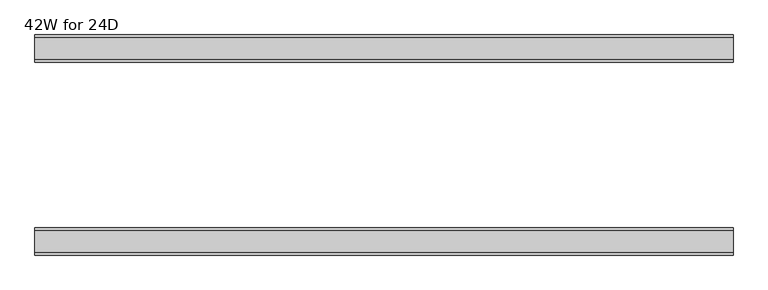
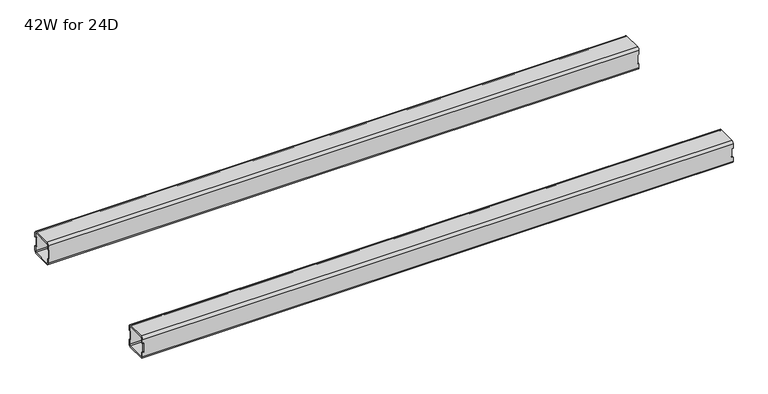
"""IFC4 building model written with IfcOpenShell, lengths in millimetres: furniture geometry, 42W for 24D."""

from ifc_helpers import new_model, si_unit, frame, origin, place, context, project, spatial, polyline, circle_curve, source, transform, mapped, element, save
from ifc_brep_helpers import plane_surface, cylinder_surface, revolved_surface, advanced_brep


def furniture_42w_for_24d_c7950c9a(model_context):
    return source(origin(), model_context, "Body", "AdvancedBrep", [
        advanced_brep(
        [(1041.8028, -438.5082, 653.351), (1041.8028, -440.5082, 651.351), (1041.8028, -472.5082, 651.351), (1041.8028, -474.5082, 653.351), (1041.8028, -474.5082, 660.851), (1041.8028, -476.5082, 660.851), (1041.8028, -476.5082, 653.351), (1041.8028, -472.5082, 649.351), (1041.8028, -440.5082, 649.351), (1041.8028, -436.5082, 653.351), (1041.8028, -436.5082, 660.851), (1041.8028, -438.5082, 660.851), (1041.8028, -474.5082, 684.975), (1041.8028, -472.5082, 686.975), (1041.8028, -440.5082, 686.975), (1041.8028, -438.5082, 684.975), (1041.8028, -438.5082, 677.475), (1041.8028, -436.5082, 677.475), (1041.8028, -436.5082, 684.975), (1041.8028, -440.5082, 688.975), (1041.8028, -472.5082, 688.975), (1041.8028, -476.5082, 684.975), (1041.8028, -476.5082, 677.475), (1041.8028, -474.5082, 677.475), (22.0, -438.5082, 684.975), (22.0, -440.5082, 686.975), (22.0, -472.5082, 686.975), (22.0, -474.5082, 684.975), (22.0, -474.5082, 677.475), (22.0, -476.5082, 677.475), (22.0, -476.5082, 684.975), (22.0, -472.5082, 688.975), (22.0, -440.5082, 688.975), (22.0, -436.5082, 684.975), (22.0, -436.5082, 677.475), (22.0, -438.5082, 677.475), (22.0, -474.5082, 653.351), (22.0, -472.5082, 651.351), (22.0, -440.5082, 651.351), (22.0, -438.5082, 653.351), (22.0, -438.5082, 660.851), (22.0, -436.5082, 660.851), (22.0, -436.5082, 653.351), (22.0, -440.5082, 649.351), (22.0, -472.5082, 649.351), (22.0, -476.5082, 653.351), (22.0, -476.5082, 660.851), (22.0, -474.5082, 660.851), (23.365, -474.5082, 660.851), (24.0, -474.5082, 661.486), (24.0, -474.5082, 676.84), (23.365, -474.5082, 677.475), (1040.4378, -474.5082, 677.475), (1039.8028, -474.5082, 676.84), (1039.8028, -474.5082, 661.486), (1040.4378, -474.5082, 660.851), (1040.4378, -438.5082, 660.851), (1039.8028, -438.5082, 661.486), (1039.8028, -438.5082, 676.84), (1040.4378, -438.5082, 677.475), (23.365, -438.5082, 677.475), (24.0, -438.5082, 676.84), (24.0, -438.5082, 661.486), (23.365, -438.5082, 660.851), (23.365, -476.5082, 677.475), (24.0, -476.5082, 676.84), (24.0, -476.5082, 661.486), (23.365, -476.5082, 660.851), (1040.4378, -476.5082, 660.851), (1039.8028, -476.5082, 661.486), (1039.8028, -476.5082, 676.84), (1040.4378, -476.5082, 677.475), (1040.4378, -436.5082, 677.475), (1039.8028, -436.5082, 676.84), (1039.8028, -436.5082, 661.486), (1040.4378, -436.5082, 660.851), (23.365, -436.5082, 660.851), (24.0, -436.5082, 661.486), (24.0, -436.5082, 676.84), (23.365, -436.5082, 677.475)],
        [
            (0, 1, circle_curve(frame((1041.8028, -440.5082, 653.351), z_axis=(-1.0, 0.0, 0.0), x_axis=(0.0, 1.0, 0.0)), 2.0)),
            (1, 2),
            (2, 3, circle_curve(frame((1041.8028, -472.5082, 653.351), z_axis=(-1.0, 0.0, 0.0), x_axis=(0.0, 1.0, 0.0)), 2.0)),
            (3, 4),
            (4, 5),
            (5, 6),
            (6, 7, circle_curve(frame((1041.8028, -472.5082, 653.351), z_axis=(1.0, 0.0, 0.0), x_axis=(0.0, 1.0, 0.0)), 4.0)),
            (7, 8),
            (8, 9, circle_curve(frame((1041.8028, -440.5082, 653.351), z_axis=(1.0, 0.0, 0.0), x_axis=(0.0, 1.0, 0.0)), 4.0)),
            (9, 10),
            (10, 11),
            (11, 0),
            (12, 13, circle_curve(frame((1041.8028, -472.5082, 684.975), z_axis=(-1.0, 0.0, 0.0), x_axis=(0.0, 1.0, 0.0)), 2.0)),
            (13, 14),
            (14, 15, circle_curve(frame((1041.8028, -440.5082, 684.975), z_axis=(-1.0, 0.0, 0.0), x_axis=(0.0, 1.0, 0.0)), 2.0)),
            (15, 16),
            (16, 17),
            (17, 18),
            (18, 19, circle_curve(frame((1041.8028, -440.5082, 684.975), z_axis=(1.0, 0.0, 0.0), x_axis=(0.0, 1.0, 0.0)), 4.0)),
            (19, 20),
            (20, 21, circle_curve(frame((1041.8028, -472.5082, 684.975), z_axis=(1.0, 0.0, 0.0), x_axis=(0.0, 1.0, 0.0)), 4.0)),
            (21, 22),
            (22, 23),
            (23, 12),
            (24, 25, circle_curve(frame((22.0, -440.5082, 684.975), z_axis=(1.0, 0.0, 0.0), x_axis=(0.0, 1.0, 0.0)), 2.0)),
            (25, 26),
            (26, 27, circle_curve(frame((22.0, -472.5082, 684.975), z_axis=(1.0, 0.0, 0.0), x_axis=(0.0, 1.0, 0.0)), 2.0)),
            (27, 28),
            (28, 29),
            (29, 30),
            (30, 31, circle_curve(frame((22.0, -472.5082, 684.975), z_axis=(-1.0, 0.0, 0.0), x_axis=(0.0, 1.0, 0.0)), 4.0)),
            (31, 32),
            (32, 33, circle_curve(frame((22.0, -440.5082, 684.975), z_axis=(-1.0, 0.0, 0.0), x_axis=(0.0, 1.0, 0.0)), 4.0)),
            (33, 34),
            (34, 35),
            (35, 24),
            (36, 37, circle_curve(frame((22.0, -472.5082, 653.351), z_axis=(1.0, 0.0, 0.0), x_axis=(0.0, 1.0, 0.0)), 2.0)),
            (37, 38),
            (38, 39, circle_curve(frame((22.0, -440.5082, 653.351), z_axis=(1.0, 0.0, 0.0), x_axis=(0.0, 1.0, 0.0)), 2.0)),
            (39, 40),
            (40, 41),
            (41, 42),
            (42, 43, circle_curve(frame((22.0, -440.5082, 653.351), z_axis=(-1.0, 0.0, 0.0), x_axis=(0.0, 1.0, 0.0)), 4.0)),
            (43, 44),
            (44, 45, circle_curve(frame((22.0, -472.5082, 653.351), z_axis=(-1.0, 0.0, 0.0), x_axis=(0.0, 1.0, 0.0)), 4.0)),
            (45, 46),
            (46, 47),
            (47, 36),
            (0, 39),
            (38, 1),
            (37, 2),
            (36, 3),
            (47, 48),
            (48, 49, circle_curve(frame((23.365, -474.5082, 661.486), z_axis=(0.0, -1.0, 0.0), x_axis=(1.0, 0.0, 0.0)), 0.635)),
            (49, 50),
            (50, 51, circle_curve(frame((23.365, -474.5082, 676.84), z_axis=(0.0, -1.0, 0.0), x_axis=(1.0, 0.0, 0.0)), 0.635)),
            (51, 28),
            (27, 12),
            (23, 52),
            (52, 53, circle_curve(frame((1040.4378, -474.5082, 676.84), z_axis=(0.0, -1.0, 0.0), x_axis=(1.0, 0.0, 0.0)), 0.635)),
            (53, 54),
            (54, 55, circle_curve(frame((1040.4378, -474.5082, 661.486), z_axis=(0.0, -1.0, 0.0), x_axis=(1.0, 0.0, 0.0)), 0.635)),
            (55, 4),
            (26, 13),
            (25, 14),
            (24, 15),
            (11, 56),
            (56, 57, circle_curve(frame((1040.4378, -438.5082, 661.486), z_axis=(0.0, 1.0, 0.0), x_axis=(1.0, 0.0, 0.0)), 0.635)),
            (57, 58),
            (58, 59, circle_curve(frame((1040.4378, -438.5082, 676.84), z_axis=(0.0, 1.0, 0.0), x_axis=(1.0, 0.0, 0.0)), 0.635)),
            (59, 16),
            (35, 60),
            (60, 61, circle_curve(frame((23.365, -438.5082, 676.84), z_axis=(0.0, 1.0, 0.0), x_axis=(1.0, 0.0, 0.0)), 0.635)),
            (61, 62),
            (62, 63, circle_curve(frame((23.365, -438.5082, 661.486), z_axis=(0.0, 1.0, 0.0), x_axis=(1.0, 0.0, 0.0)), 0.635)),
            (63, 40),
            (18, 33),
            (32, 19),
            (31, 20),
            (30, 21),
            (29, 64),
            (64, 65, circle_curve(frame((23.365, -476.5082, 676.84), z_axis=(0.0, 1.0, 0.0), x_axis=(1.0, 0.0, 0.0)), 0.635)),
            (65, 66),
            (66, 67, circle_curve(frame((23.365, -476.5082, 661.486), z_axis=(0.0, 1.0, 0.0), x_axis=(1.0, 0.0, 0.0)), 0.635)),
            (67, 46),
            (45, 6),
            (5, 68),
            (68, 69, circle_curve(frame((1040.4378, -476.5082, 661.486), z_axis=(0.0, 1.0, 0.0), x_axis=(1.0, 0.0, 0.0)), 0.635)),
            (69, 70),
            (70, 71, circle_curve(frame((1040.4378, -476.5082, 676.84), z_axis=(0.0, 1.0, 0.0), x_axis=(1.0, 0.0, 0.0)), 0.635)),
            (71, 22),
            (44, 7),
            (43, 8),
            (42, 9),
            (17, 72),
            (72, 73, circle_curve(frame((1040.4378, -436.5082, 676.84), z_axis=(0.0, -1.0, 0.0), x_axis=(1.0, 0.0, 0.0)), 0.635)),
            (73, 74),
            (74, 75, circle_curve(frame((1040.4378, -436.5082, 661.486), z_axis=(0.0, -1.0, 0.0), x_axis=(1.0, 0.0, 0.0)), 0.635)),
            (75, 10),
            (41, 76),
            (76, 77, circle_curve(frame((23.365, -436.5082, 661.486), z_axis=(0.0, -1.0, 0.0), x_axis=(1.0, 0.0, 0.0)), 0.635)),
            (77, 78),
            (78, 79, circle_curve(frame((23.365, -436.5082, 676.84), z_axis=(0.0, -1.0, 0.0), x_axis=(1.0, 0.0, 0.0)), 0.635)),
            (79, 34),
            (71, 52),
            (59, 72),
            (70, 53),
            (58, 73),
            (69, 54),
            (57, 74),
            (68, 55),
            (56, 75),
            (51, 64),
            (79, 60),
            (67, 48),
            (63, 76),
            (66, 49),
            (62, 77),
            (65, 50),
            (61, 78),
        ],
        [
            plane_surface(frame((1041.8028, -438.5082, 653.351), z_axis=(1.0, 0.0, 0.0), x_axis=(0.0, 0.0, -1.0))),
            plane_surface(frame((22.0, -438.5082, 653.351), z_axis=(-1.0, 0.0, 0.0), x_axis=(0.0, 0.0, 1.0))),
            revolved_surface(polyline([(22.0, -438.5082, 653.351), (1041.8028, -438.5082, 653.351)]), (22.0, -440.5082, 653.351), (-1.0, 0.0, 0.0)),
            plane_surface(frame((1041.8028, -440.5082, 651.351), z_axis=(0.0, -4.868672132139401e-12, 1.0), x_axis=(-1.0, 0.0, 0.0))),
            revolved_surface(polyline([(22.0, -470.5082, 653.351), (1041.8028, -470.5082, 653.351)]), (22.0, -472.5082, 653.351), (-1.0, 0.0, 0.0)),
            plane_surface(frame((1041.8028, -474.5082, 653.351), z_axis=(0.0, 1.0, 0.0), x_axis=(-1.0, 0.0, 0.0))),
            revolved_surface(polyline([(22.0, -470.5082, 684.975), (1041.8028, -470.5082, 684.975)]), (22.0, -472.5082, 684.975), (-1.0, 0.0, 0.0)),
            plane_surface(frame((1041.8028, -472.5082, 686.975), z_axis=(0.0, 0.0, -1.0), x_axis=(-1.0, 0.0, 0.0))),
            revolved_surface(polyline([(22.0, -438.5082, 684.975), (1041.8028, -438.5082, 684.975)]), (22.0, -440.5082, 684.975), (-1.0, 0.0, 0.0)),
            plane_surface(frame((1041.8028, -438.5082, 684.975), z_axis=(0.0, -1.0, 0.0), x_axis=(-1.0, 0.0, 0.0))),
            cylinder_surface(frame((0.0, -440.5082, 684.975), z_axis=(1.0, 0.0, 0.0), x_axis=(0.0, 1.0, 0.0)), 4.0),
            plane_surface(frame((1041.8028, -440.5082, 688.975), z_axis=(0.0, 0.0, 1.0), x_axis=(-1.0, 0.0, 0.0))),
            cylinder_surface(frame((0.0, -472.5082, 684.975), z_axis=(1.0, 0.0, 0.0), x_axis=(0.0, 1.0, 0.0)), 4.0),
            plane_surface(frame((1041.8028, -476.5082, 684.975), z_axis=(0.0, -1.0, 0.0), x_axis=(-1.0, 0.0, 0.0))),
            cylinder_surface(frame((0.0, -472.5082, 653.351), z_axis=(1.0, 0.0, 0.0), x_axis=(0.0, 1.0, 0.0)), 4.0),
            plane_surface(frame((1041.8028, -472.5082, 649.351), z_axis=(0.0, 0.0, -1.0), x_axis=(-1.0, 0.0, 0.0))),
            cylinder_surface(frame((0.0, -440.5082, 653.351), z_axis=(1.0, 0.0, 0.0), x_axis=(0.0, 1.0, 0.0)), 4.0),
            plane_surface(frame((1041.8028, -436.5082, 653.351), z_axis=(0.0, 1.0, -4.917998717621574e-12), x_axis=(-1.0, 0.0, 0.0))),
            plane_surface(frame((1041.8028, -476.5082, 677.475), z_axis=(1.130465684452016e-11, 0.0, -1.0), x_axis=(0.0, 1.0, 0.0))),
            revolved_surface(polyline([(1041.0728, -476.5082, 676.84), (1041.0728, -474.5082, 676.84)]), (1040.4378, -436.5082, 676.84), (0.0, -1.0, 0.0)),
            revolved_surface(polyline([(1041.0728, -438.5082, 676.84), (1041.0728, -436.5082, 676.84)]), (1040.4378, -436.5082, 676.84), (0.0, -1.0, 0.0)),
            plane_surface(frame((1039.8028, -476.5082, 676.84), z_axis=(1.0, 0.0, 0.0), x_axis=(0.0, 1.0, 0.0))),
            revolved_surface(polyline([(1041.0728, -476.5082, 661.486), (1041.0728, -474.5082, 661.486)]), (1040.4378, -436.5082, 661.486), (0.0, -1.0, 0.0)),
            revolved_surface(polyline([(1041.0728, -438.5082, 661.486), (1041.0728, -436.5082, 661.486)]), (1040.4378, -436.5082, 661.486), (0.0, -1.0, 0.0)),
            plane_surface(frame((1040.4378, -476.5082, 660.851), z_axis=(0.0, 0.0, 1.0), x_axis=(0.0, 1.0, 0.0))),
            plane_surface(frame((23.365, -476.5082, 677.475), z_axis=(0.0, 0.0, -1.0), x_axis=(0.0, 1.0, 0.0))),
            plane_surface(frame((22.0, -476.5082, 660.851), z_axis=(-1.1502984157403295e-11, 0.0, 1.0), x_axis=(0.0, 1.0, 0.0))),
            revolved_surface(polyline([(24.0, -476.5082, 661.486), (24.0, -474.5082, 661.486)]), (23.365, -436.5082, 661.486), (0.0, -1.0, 0.0)),
            revolved_surface(polyline([(24.0, -438.5082, 661.486), (24.0, -436.5082, 661.486)]), (23.365, -436.5082, 661.486), (0.0, -1.0, 0.0)),
            plane_surface(frame((24.0, -476.5082, 661.486), z_axis=(-1.0, 0.0, 0.0), x_axis=(0.0, 1.0, 0.0))),
            revolved_surface(polyline([(24.0, -476.5082, 676.84), (24.0, -474.5082, 676.84)]), (23.365, -436.5082, 676.84), (0.0, -1.0, 0.0)),
            revolved_surface(polyline([(24.0, -438.5082, 676.84), (24.0, -436.5082, 676.84)]), (23.365, -436.5082, 676.84), (0.0, -1.0, 0.0)),
        ],
        [
            (0, [[1, 2, 3, 4, 5, 6, 7, 8, 9, 10, 11, 12]]),
            (0, [[13, 14, 15, 16, 17, 18, 19, 20, 21, 22, 23, 24]]),
            (1, [[25, 26, 27, 28, 29, 30, 31, 32, 33, 34, 35, 36]]),
            (1, [[37, 38, 39, 40, 41, 42, 43, 44, 45, 46, 47, 48]]),
            (2, [[-1, 49, -39, 50]]),
            (3, [[-2, -50, -38, 51]]),
            (4, [[-3, -51, -37, 52]]),
            (5, [[-52, -48, 53, 54, 55, 56, 57, -28, 58, -24, 59, 60, 61, 62, 63, -4]]),
            (6, [[-13, -58, -27, 64]]),
            (7, [[-14, -64, -26, 65]]),
            (8, [[-15, -65, -25, 66]]),
            (9, [[-49, -12, 67, 68, 69, 70, 71, -16, -66, -36, 72, 73, 74, 75, 76, -40]]),
            (10, [[-19, 77, -33, 78]]),
            (11, [[-20, -78, -32, 79]]),
            (12, [[-21, -79, -31, 80]]),
            (13, [[-80, -30, 81, 82, 83, 84, 85, -46, 86, -6, 87, 88, 89, 90, 91, -22]]),
            (14, [[-7, -86, -45, 92]]),
            (15, [[-8, -92, -44, 93]]),
            (16, [[-9, -93, -43, 94]]),
            (17, [[-77, -18, 95, 96, 97, 98, 99, -10, -94, -42, 100, 101, 102, 103, 104, -34]]),
            (18, [[105, -59, -23, -91]]),
            (18, [[106, -95, -17, -71]]),
            (19, [[-105, -90, 107, -60]]),
            (20, [[-106, -70, 108, -96]]),
            (21, [[-107, -89, 109, -61]]),
            (21, [[-108, -69, 110, -97]]),
            (22, [[-109, -88, 111, -62]]),
            (23, [[-110, -68, 112, -98]]),
            (24, [[-111, -87, -5, -63]]),
            (24, [[-112, -67, -11, -99]]),
            (25, [[113, -81, -29, -57]]),
            (25, [[114, -72, -35, -104]]),
            (26, [[115, -53, -47, -85]]),
            (26, [[116, -100, -41, -76]]),
            (27, [[-115, -84, 117, -54]]),
            (28, [[-116, -75, 118, -101]]),
            (29, [[-117, -83, 119, -55]]),
            (29, [[-118, -74, 120, -102]]),
            (30, [[-113, -56, -119, -82]]),
            (31, [[-114, -103, -120, -73]]),
        ],
    ),
        advanced_brep(
        [(1041.8028, -192.9996202, 684.975), (1041.8028, -190.9996202, 686.975), (1041.8028, -159.0003798, 686.975), (1041.8028, -157.0003798, 684.975), (1041.8028, -157.0003798, 677.475), (1041.8028, -155.0003798, 677.475), (1041.8028, -155.0003798, 684.975), (1041.8028, -159.0003798, 688.975), (1041.8028, -190.9996202, 688.975), (1041.8028, -194.9996202, 684.975), (1041.8028, -194.9996202, 677.475), (1041.8028, -192.9996202, 677.475), (1041.8028, -157.0003798, 653.351), (1041.8028, -159.0003798, 651.351), (1041.8028, -190.9996202, 651.351), (1041.8028, -192.9996202, 653.351), (1041.8028, -192.9996202, 660.851), (1041.8028, -194.9996202, 660.851), (1041.8028, -194.9996202, 653.351), (1041.8028, -190.9996202, 649.351), (1041.8028, -159.0003798, 649.351), (1041.8028, -155.0003798, 653.351), (1041.8028, -155.0003798, 660.851), (1041.8028, -157.0003798, 660.851), (22.0, -192.9996202, 653.351), (22.0, -190.9996202, 651.351), (22.0, -159.0003798, 651.351), (22.0, -157.0003798, 653.351), (22.0, -157.0003798, 660.851), (22.0, -155.0003798, 660.851), (22.0, -155.0003798, 653.351), (22.0, -159.0003798, 649.351), (22.0, -190.9996202, 649.351), (22.0, -194.9996202, 653.351), (22.0, -194.9996202, 660.851), (22.0, -192.9996202, 660.851), (22.0, -157.0003798, 684.975), (22.0, -159.0003798, 686.975), (22.0, -190.9996202, 686.975), (22.0, -192.9996202, 684.975), (22.0, -192.9996202, 677.475), (22.0, -194.9996202, 677.475), (22.0, -194.9996202, 684.975), (22.0, -190.9996202, 688.975), (22.0, -159.0003798, 688.975), (22.0, -155.0003798, 684.975), (22.0, -155.0003798, 677.475), (22.0, -157.0003798, 677.475), (1040.4378, -157.0003798, 660.851), (1039.8028, -157.0003798, 661.486), (1039.8028, -157.0003798, 676.84), (1040.4378, -157.0003798, 677.475), (23.365, -157.0003798, 677.475), (24.0, -157.0003798, 676.84), (24.0, -157.0003798, 661.486), (23.365, -157.0003798, 660.851), (23.365, -192.9996202, 660.851), (24.0, -192.9996202, 661.486), (24.0, -192.9996202, 676.84), (23.365, -192.9996202, 677.475), (1040.4378, -192.9996202, 677.475), (1039.8028, -192.9996202, 676.84), (1039.8028, -192.9996202, 661.486), (1040.4378, -192.9996202, 660.851), (1040.4378, -155.0003798, 677.475), (1039.8028, -155.0003798, 676.84), (1039.8028, -155.0003798, 661.486), (1040.4378, -155.0003798, 660.851), (23.365, -155.0003798, 660.851), (24.0, -155.0003798, 661.486), (24.0, -155.0003798, 676.84), (23.365, -155.0003798, 677.475), (23.365, -194.9996202, 677.475), (24.0, -194.9996202, 676.84), (24.0, -194.9996202, 661.486), (23.365, -194.9996202, 660.851), (1040.4378, -194.9996202, 660.851), (1039.8028, -194.9996202, 661.486), (1039.8028, -194.9996202, 676.84), (1040.4378, -194.9996202, 677.475)],
        [
            (0, 1, circle_curve(frame((1041.8028, -190.9996202, 684.975), z_axis=(-1.0, 0.0, 0.0), x_axis=(0.0, -1.0, 0.0)), 2.0)),
            (1, 2),
            (2, 3, circle_curve(frame((1041.8028, -159.0003798, 684.975), z_axis=(-1.0, 0.0, 0.0), x_axis=(0.0, -1.0, 0.0)), 2.0)),
            (3, 4),
            (4, 5),
            (5, 6),
            (6, 7, circle_curve(frame((1041.8028, -159.0003798, 684.975), z_axis=(1.0, 0.0, 0.0), x_axis=(0.0, -1.0, 0.0)), 4.0)),
            (7, 8),
            (8, 9, circle_curve(frame((1041.8028, -190.9996202, 684.975), z_axis=(1.0, 0.0, 0.0), x_axis=(0.0, -1.0, 0.0)), 4.0)),
            (9, 10),
            (10, 11),
            (11, 0),
            (12, 13, circle_curve(frame((1041.8028, -159.0003798, 653.351), z_axis=(-1.0, 0.0, 0.0), x_axis=(0.0, -1.0, 0.0)), 2.0)),
            (13, 14),
            (14, 15, circle_curve(frame((1041.8028, -190.9996202, 653.351), z_axis=(-1.0, 0.0, 0.0), x_axis=(0.0, -1.0, 0.0)), 2.0)),
            (15, 16),
            (16, 17),
            (17, 18),
            (18, 19, circle_curve(frame((1041.8028, -190.9996202, 653.351), z_axis=(1.0, 0.0, 0.0), x_axis=(0.0, -1.0, 0.0)), 4.0)),
            (19, 20),
            (20, 21, circle_curve(frame((1041.8028, -159.0003798, 653.351), z_axis=(1.0, 0.0, 0.0), x_axis=(0.0, -1.0, 0.0)), 4.0)),
            (21, 22),
            (22, 23),
            (23, 12),
            (24, 25, circle_curve(frame((22.0, -190.9996202, 653.351), z_axis=(1.0, 0.0, 0.0), x_axis=(0.0, -1.0, 0.0)), 2.0)),
            (25, 26),
            (26, 27, circle_curve(frame((22.0, -159.0003798, 653.351), z_axis=(1.0, 0.0, 0.0), x_axis=(0.0, -1.0, 0.0)), 2.0)),
            (27, 28),
            (28, 29),
            (29, 30),
            (30, 31, circle_curve(frame((22.0, -159.0003798, 653.351), z_axis=(-1.0, 0.0, 0.0), x_axis=(0.0, -1.0, 0.0)), 4.0)),
            (31, 32),
            (32, 33, circle_curve(frame((22.0, -190.9996202, 653.351), z_axis=(-1.0, 0.0, 0.0), x_axis=(0.0, -1.0, 0.0)), 4.0)),
            (33, 34),
            (34, 35),
            (35, 24),
            (36, 37, circle_curve(frame((22.0, -159.0003798, 684.975), z_axis=(1.0, 0.0, 0.0), x_axis=(0.0, -1.0, 0.0)), 2.0)),
            (37, 38),
            (38, 39, circle_curve(frame((22.0, -190.9996202, 684.975), z_axis=(1.0, 0.0, 0.0), x_axis=(0.0, -1.0, 0.0)), 2.0)),
            (39, 40),
            (40, 41),
            (41, 42),
            (42, 43, circle_curve(frame((22.0, -190.9996202, 684.975), z_axis=(-1.0, 0.0, 0.0), x_axis=(0.0, -1.0, 0.0)), 4.0)),
            (43, 44),
            (44, 45, circle_curve(frame((22.0, -159.0003798, 684.975), z_axis=(-1.0, 0.0, 0.0), x_axis=(0.0, -1.0, 0.0)), 4.0)),
            (45, 46),
            (46, 47),
            (47, 36),
            (14, 25),
            (24, 15),
            (13, 26),
            (12, 27),
            (23, 48),
            (48, 49, circle_curve(frame((1040.4378, -157.0003798, 661.486), z_axis=(0.0, 1.0, 0.0), x_axis=(1.0, 0.0, 0.0)), 0.635)),
            (49, 50),
            (50, 51, circle_curve(frame((1040.4378, -157.0003798, 676.84), z_axis=(0.0, 1.0, 0.0), x_axis=(1.0, 0.0, 0.0)), 0.635)),
            (51, 4),
            (3, 36),
            (47, 52),
            (52, 53, circle_curve(frame((23.365, -157.0003798, 676.84), z_axis=(0.0, 1.0, 0.0), x_axis=(1.0, 0.0, 0.0)), 0.635)),
            (53, 54),
            (54, 55, circle_curve(frame((23.365, -157.0003798, 661.486), z_axis=(0.0, 1.0, 0.0), x_axis=(1.0, 0.0, 0.0)), 0.635)),
            (55, 28),
            (2, 37),
            (1, 38),
            (0, 39),
            (35, 56),
            (56, 57, circle_curve(frame((23.365, -192.9996202, 661.486), z_axis=(0.0, -1.0, 0.0), x_axis=(1.0, 0.0, 0.0)), 0.635)),
            (57, 58),
            (58, 59, circle_curve(frame((23.365, -192.9996202, 676.84), z_axis=(0.0, -1.0, 0.0), x_axis=(1.0, 0.0, 0.0)), 0.635)),
            (59, 40),
            (11, 60),
            (60, 61, circle_curve(frame((1040.4378, -192.9996202, 676.84), z_axis=(0.0, -1.0, 0.0), x_axis=(1.0, 0.0, 0.0)), 0.635)),
            (61, 62),
            (62, 63, circle_curve(frame((1040.4378, -192.9996202, 661.486), z_axis=(0.0, -1.0, 0.0), x_axis=(1.0, 0.0, 0.0)), 0.635)),
            (63, 16),
            (8, 43),
            (42, 9),
            (7, 44),
            (6, 45),
            (5, 64),
            (64, 65, circle_curve(frame((1040.4378, -155.0003798, 676.84), z_axis=(0.0, -1.0, 0.0), x_axis=(1.0, 0.0, 0.0)), 0.635)),
            (65, 66),
            (66, 67, circle_curve(frame((1040.4378, -155.0003798, 661.486), z_axis=(0.0, -1.0, 0.0), x_axis=(1.0, 0.0, 0.0)), 0.635)),
            (67, 22),
            (21, 30),
            (29, 68),
            (68, 69, circle_curve(frame((23.365, -155.0003798, 661.486), z_axis=(0.0, -1.0, 0.0), x_axis=(1.0, 0.0, 0.0)), 0.635)),
            (69, 70),
            (70, 71, circle_curve(frame((23.365, -155.0003798, 676.84), z_axis=(0.0, -1.0, 0.0), x_axis=(1.0, 0.0, 0.0)), 0.635)),
            (71, 46),
            (20, 31),
            (19, 32),
            (18, 33),
            (41, 72),
            (72, 73, circle_curve(frame((23.365, -194.9996202, 676.84), z_axis=(0.0, 1.0, 0.0), x_axis=(1.0, 0.0, 0.0)), 0.635)),
            (73, 74),
            (74, 75, circle_curve(frame((23.365, -194.9996202, 661.486), z_axis=(0.0, 1.0, 0.0), x_axis=(1.0, 0.0, 0.0)), 0.635)),
            (75, 34),
            (17, 76),
            (76, 77, circle_curve(frame((1040.4378, -194.9996202, 661.486), z_axis=(0.0, 1.0, 0.0), x_axis=(1.0, 0.0, 0.0)), 0.635)),
            (77, 78),
            (78, 79, circle_curve(frame((1040.4378, -194.9996202, 676.84), z_axis=(0.0, 1.0, 0.0), x_axis=(1.0, 0.0, 0.0)), 0.635)),
            (79, 10),
            (51, 64),
            (79, 60),
            (50, 65),
            (78, 61),
            (49, 66),
            (77, 62),
            (48, 67),
            (76, 63),
            (71, 52),
            (59, 72),
            (55, 68),
            (75, 56),
            (54, 69),
            (74, 57),
            (53, 70),
            (73, 58),
        ],
        [
            plane_surface(frame((1041.8028, -192.9996202, 684.975), z_axis=(1.0, 0.0, 0.0), x_axis=(0.0, 0.0, 1.0))),
            plane_surface(frame((22.0, -192.9996202, 684.975), z_axis=(-1.0, 0.0, 0.0), x_axis=(0.0, 0.0, -1.0))),
            revolved_surface(polyline([(22.0, -192.9996202, 653.351), (1041.8028, -192.9996202, 653.351)]), (22.0, -190.9996202, 653.351), (-1.0, 0.0, 0.0)),
            plane_surface(frame((1041.8028, -159.0003798, 651.351), z_axis=(0.0, 0.0, 1.0), x_axis=(-1.0, 0.0, 0.0))),
            revolved_surface(polyline([(22.0, -161.0003798, 653.351), (1041.8028, -161.0003798, 653.351)]), (22.0, -159.0003798, 653.351), (-1.0, 0.0, 0.0)),
            plane_surface(frame((1041.8028, -157.0003798, 684.975), z_axis=(0.0, -1.0, 0.0), x_axis=(-1.0, 0.0, 0.0))),
            revolved_surface(polyline([(22.0, -161.0003798, 684.975), (1041.8028, -161.0003798, 684.975)]), (22.0, -159.0003798, 684.975), (-1.0, 0.0, 0.0)),
            plane_surface(frame((1041.8028, -190.9996202, 686.975), z_axis=(0.0, 0.0, -1.0), x_axis=(-1.0, 0.0, 0.0))),
            revolved_surface(polyline([(22.0, -192.9996202, 684.975), (1041.8028, -192.9996202, 684.975)]), (22.0, -190.9996202, 684.975), (-1.0, 0.0, 0.0)),
            plane_surface(frame((1041.8028, -192.9996202, 653.351), z_axis=(0.0, 1.0, 0.0), x_axis=(-1.0, 0.0, 0.0))),
            cylinder_surface(frame((0.0, -190.9996202, 684.975), z_axis=(1.0, 0.0, 0.0), x_axis=(0.0, -1.0, 0.0)), 4.0),
            plane_surface(frame((1041.8028, -159.0003798, 688.975), z_axis=(0.0, 0.0, 1.0), x_axis=(-1.0, 0.0, 0.0))),
            cylinder_surface(frame((0.0, -159.0003798, 684.975), z_axis=(1.0, 0.0, 0.0), x_axis=(0.0, -1.0, 0.0)), 4.0),
            plane_surface(frame((1041.8028, -155.0003798, 653.351), z_axis=(0.0, 1.0, 0.0), x_axis=(-1.0, 0.0, 0.0))),
            cylinder_surface(frame((0.0, -159.0003798, 653.351), z_axis=(1.0, 0.0, 0.0), x_axis=(0.0, -1.0, 0.0)), 4.0),
            plane_surface(frame((1041.8028, -190.9996202, 649.351), z_axis=(0.0, 0.0, -1.0), x_axis=(-1.0, 0.0, 0.0))),
            cylinder_surface(frame((0.0, -190.9996202, 653.351), z_axis=(1.0, 0.0, 0.0), x_axis=(0.0, -1.0, 0.0)), 4.0),
            plane_surface(frame((1041.8028, -194.9996202, 684.975), z_axis=(0.0, -1.0, 0.0), x_axis=(-1.0, 0.0, 0.0))),
            plane_surface(frame((1040.4378, -155.0003798, 677.475), z_axis=(-8.46857626692497e-11, 0.0, -1.0), x_axis=(0.0, -1.0, 0.0))),
            revolved_surface(polyline([(1041.0728, -155.0003798, 676.84), (1041.0728, -157.0003798, 676.84)]), (1040.4378, -194.9996202, 676.84), (0.0, 1.0, 0.0)),
            revolved_surface(polyline([(1041.0728, -192.9996202, 676.84), (1041.0728, -194.9996202, 676.84)]), (1040.4378, -194.9996202, 676.84), (0.0, 1.0, 0.0)),
            plane_surface(frame((1039.8028, -155.0003798, 661.486), z_axis=(1.0, 0.0, 6.082928872064027e-12), x_axis=(0.0, -1.0, 0.0))),
            revolved_surface(polyline([(1041.0728, -155.0003798, 661.486), (1041.0728, -157.0003798, 661.486)]), (1040.4378, -194.9996202, 661.486), (0.0, 1.0, 0.0)),
            revolved_surface(polyline([(1041.0728, -192.9996202, 661.486), (1041.0728, -194.9996202, 661.486)]), (1040.4378, -194.9996202, 661.486), (0.0, 1.0, 0.0)),
            plane_surface(frame((1041.8028, -155.0003798, 660.851), z_axis=(0.0, 0.0, 1.0), x_axis=(0.0, -1.0, 0.0))),
            plane_surface(frame((22.0, -155.0003798, 677.475), z_axis=(0.0, 0.0, -1.0), x_axis=(0.0, -1.0, 0.0))),
            plane_surface(frame((23.365, -155.0003798, 660.851), z_axis=(-2.8559133082148777e-11, 0.0, 1.0), x_axis=(0.0, -1.0, 0.0))),
            revolved_surface(polyline([(24.0, -155.0003798, 661.486), (24.0, -157.0003798, 661.486)]), (23.365, -194.9996202, 661.486), (0.0, 1.0, 0.0)),
            revolved_surface(polyline([(24.0, -192.9996202, 661.486), (24.0, -194.9996202, 661.486)]), (23.365, -194.9996202, 661.486), (0.0, 1.0, 0.0)),
            plane_surface(frame((24.0, -155.0003798, 676.84), z_axis=(-1.0, 0.0, 3.414484621396347e-12), x_axis=(0.0, -1.0, 0.0))),
            revolved_surface(polyline([(24.0, -155.0003798, 676.84), (24.0, -157.0003798, 676.84)]), (23.365, -194.9996202, 676.84), (0.0, 1.0, 0.0)),
            revolved_surface(polyline([(24.0, -192.9996202, 676.84), (24.0, -194.9996202, 676.84)]), (23.365, -194.9996202, 676.84), (0.0, 1.0, 0.0)),
        ],
        [
            (0, [[1, 2, 3, 4, 5, 6, 7, 8, 9, 10, 11, 12]]),
            (0, [[13, 14, 15, 16, 17, 18, 19, 20, 21, 22, 23, 24]]),
            (1, [[25, 26, 27, 28, 29, 30, 31, 32, 33, 34, 35, 36]]),
            (1, [[37, 38, 39, 40, 41, 42, 43, 44, 45, 46, 47, 48]]),
            (2, [[-15, 49, -25, 50]]),
            (3, [[-14, 51, -26, -49]]),
            (4, [[-13, 52, -27, -51]]),
            (5, [[-52, -24, 53, 54, 55, 56, 57, -4, 58, -48, 59, 60, 61, 62, 63, -28]]),
            (6, [[-3, 64, -37, -58]]),
            (7, [[-2, 65, -38, -64]]),
            (8, [[-1, 66, -39, -65]]),
            (9, [[-50, -36, 67, 68, 69, 70, 71, -40, -66, -12, 72, 73, 74, 75, 76, -16]]),
            (10, [[-9, 77, -43, 78]]),
            (11, [[-8, 79, -44, -77]]),
            (12, [[-7, 80, -45, -79]]),
            (13, [[-80, -6, 81, 82, 83, 84, 85, -22, 86, -30, 87, 88, 89, 90, 91, -46]]),
            (14, [[-21, 92, -31, -86]]),
            (15, [[-20, 93, -32, -92]]),
            (16, [[-19, 94, -33, -93]]),
            (17, [[-78, -42, 95, 96, 97, 98, 99, -34, -94, -18, 100, 101, 102, 103, 104, -10]]),
            (18, [[105, -81, -5, -57]]),
            (18, [[106, -72, -11, -104]]),
            (19, [[-105, -56, 107, -82]]),
            (20, [[-106, -103, 108, -73]]),
            (21, [[-107, -55, 109, -83]]),
            (21, [[-108, -102, 110, -74]]),
            (22, [[-109, -54, 111, -84]]),
            (23, [[-110, -101, 112, -75]]),
            (24, [[-111, -53, -23, -85]]),
            (24, [[-112, -100, -17, -76]]),
            (25, [[113, -59, -47, -91]]),
            (25, [[114, -95, -41, -71]]),
            (26, [[115, -87, -29, -63]]),
            (26, [[116, -67, -35, -99]]),
            (27, [[-115, -62, 117, -88]]),
            (28, [[-116, -98, 118, -68]]),
            (29, [[-117, -61, 119, -89]]),
            (29, [[-118, -97, 120, -69]]),
            (30, [[-119, -60, -113, -90]]),
            (31, [[-120, -96, -114, -70]]),
        ],
    ),
    ])


if __name__ == "__main__":
    model = new_model("IFC4")
    model_context = context("Model", 3, world=origin())
    ifc_project = project(units=[si_unit("LENGTHUNIT", "METRE", prefix="MILLI")], contexts=[model_context])
    site = spatial("IfcSite", under=ifc_project)
    building = spatial("IfcBuilding", under=site)
    placement = place(None, origin())
    furniture_42w_for_24d_shape = furniture_42w_for_24d_c7950c9a(model_context)
    element("IfcFurniture", 1, ObjectType="42W for 24D", at=placement, inside=building, context=model_context, shape_type="MappedRepresentation", body=[
        mapped(furniture_42w_for_24d_shape, transform((0.0, 0.0, 0.0), x_axis=(1.0, 0.0, 0.0), y_axis=(0.0, 1.0, 0.0), z_axis=(0.0, 0.0, 1.0))),
    ])
    save(model, "model.ifc")
